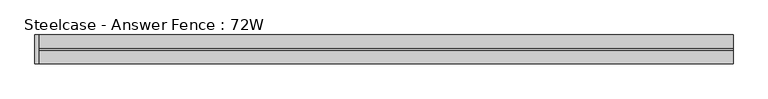
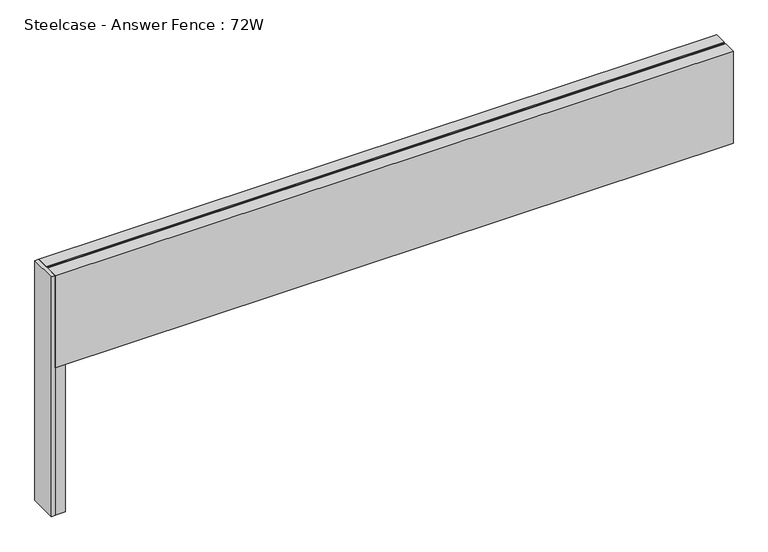
"""IFC4 building model written with IfcOpenShell, lengths in millimetres: furniture geometry, Steelcase - Answer Fence : 72W."""

from ifc_helpers import new_model, si_unit, frame, origin, place, context, project, spatial, polyline, outline, extrude, source, transform, mapped, element, save


def steelcase_answer_fence_72w_de7e3d5a(model_context):
    return source(origin(), model_context, "Body", "SweptSolid", [
        extrude(outline(polyline([(-9.935178, 43.8092555), (-9.935178, -28.8855443), (-38.0701573, -28.8855443), (-38.0701573, -18.0275164), (-20.8608215, -18.0275164), (-20.8608215, 32.7724836), (-38.0832543, 32.7724836), (-38.0832543, 43.8092555), (-9.935178, 43.8092555)])), frame((0.0, 0.0, 15.4939671), z_axis=(0.0, 0.0, 1.0), x_axis=(1.0, 0.0, 0.0)), (0.0, 0.0, 1.0), 420.9763759),
        extrude(outline(polyline([(-48.2664464, 45.5635028), (-38.1, 45.5635028), (-38.1, -30.7299), (-48.2664464, -30.7299), (-48.2664464, 45.5635028)])), frame((0.0, 0.0, 15.4939671), z_axis=(0.0, 0.0, 1.0), x_axis=(1.0, 0.0, 0.0)), (0.0, 0.0, 1.0), 683.006),
        extrude(outline(polyline([(-30.6507456, 698.5), (4.4428302, 698.5), (4.4428302, 695.721875), (10.7419756, 695.721875), (10.7419756, 698.5), (45.5168014, 698.5), (45.5168014, 436.470343), (-30.6507456, 436.470343), (-30.6507456, 698.5)])), frame((-38.1, 0.0, 0.0), z_axis=(1.0, 0.0, 0.0), x_axis=(0.0, 1.0, 0.0)), (0.0, 0.0, 1.0), 1826.768),
    ])


if __name__ == "__main__":
    model = new_model("IFC4")
    model_context = context("Model", 3, world=origin())
    ifc_project = project(units=[si_unit("LENGTHUNIT", "METRE", prefix="MILLI")], contexts=[model_context])
    site = spatial("IfcSite", under=ifc_project)
    building = spatial("IfcBuilding", under=site)
    placement = place(None, origin())
    steelcase_answer_fence_72w_shape = steelcase_answer_fence_72w_de7e3d5a(model_context)
    element("IfcFurniture", 1, ObjectType="Steelcase - Answer Fence : 72W", at=placement, inside=building, context=model_context, shape_type="MappedRepresentation", body=[
        mapped(steelcase_answer_fence_72w_shape, transform((0.0, 0.0, 0.0), x_axis=(1.0, 0.0, 0.0), y_axis=(0.0, 1.0, 0.0), z_axis=(0.0, 0.0, 1.0))),
    ])
    save(model, "model.ifc")
